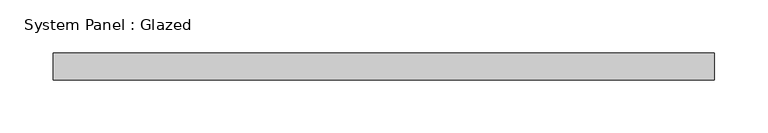
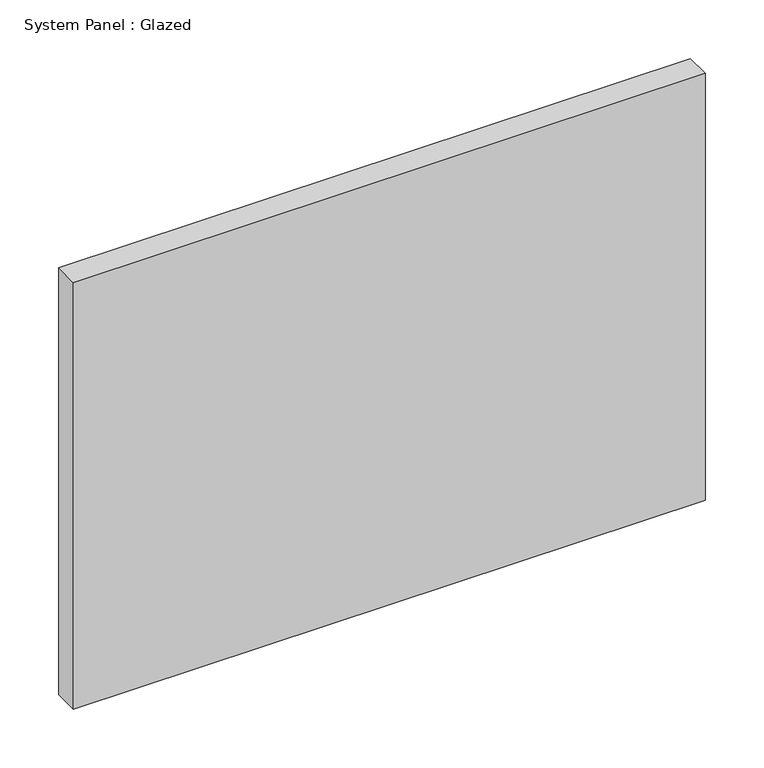
"""IFC4 building model written with IfcOpenShell, lengths in millimetres: plate geometry, System Panel : Glazed."""

from ifc_helpers import new_model, si_unit, origin, origin_with_axes, place, context, project, spatial, polyline, outline, extrude, source, transform, mapped, element, save


def system_panel_glazed_eb447989(model_context):
    return source(origin(), model_context, "Body", "SweptSolid", [
        extrude(outline(polyline([(311.15, -12.7), (-311.15, -12.7), (-311.15, 12.7), (311.15, 12.7), (311.15, -12.7)])), origin_with_axes(), (0.0, 0.0, 1.0), 444.5),
    ])


if __name__ == "__main__":
    model = new_model("IFC4")
    model_context = context("Model", 3, world=origin())
    ifc_project = project(units=[si_unit("LENGTHUNIT", "METRE", prefix="MILLI")], contexts=[model_context])
    site = spatial("IfcSite", under=ifc_project)
    building = spatial("IfcBuilding", under=site)
    placement = place(None, origin())
    system_panel_glazed_shape = system_panel_glazed_eb447989(model_context)
    element("IfcPlate", 1, ObjectType="System Panel : Glazed", at=placement, inside=building, context=model_context, shape_type="MappedRepresentation", body=[
        mapped(system_panel_glazed_shape, transform((0.0, 0.0, 0.0), x_axis=(1.0, 0.0, 0.0), y_axis=(0.0, 1.0, 0.0), z_axis=(0.0, 0.0, 1.0))),
    ])
    save(model, "model.ifc")
